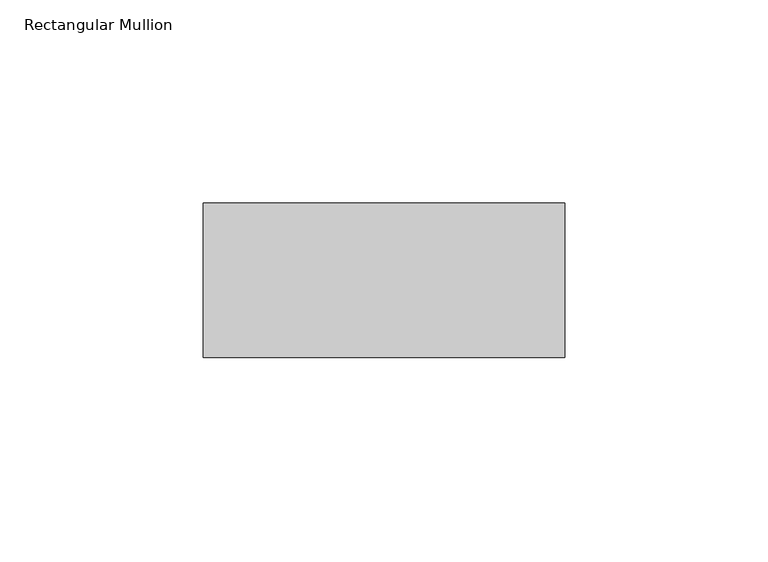
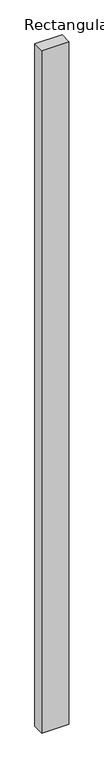
"""IFC4 building model written with IfcOpenShell, lengths in millimetres: member geometry, Rectangular Mullion."""

from ifc_helpers import new_model, si_unit, frame, origin, place, context, project, spatial, polyline, outline, extrude, source, transform, mapped, element, save


def rectangular_mullion_17bd54c2(model_context):
    return source(origin(), model_context, "Body", "SweptSolid", [
        extrude(outline(polyline([(0.0, 58.0), (0.0, 20.0), (-89.0, 20.0), (-89.0, 58.0), (0.0, 58.0)])), frame((0.0, 0.0, -2360.0), z_axis=(0.0, 0.0, 1.0), x_axis=(1.0, 0.0, 0.0)), (0.0, 0.0, 1.0), 2360.0),
    ])


if __name__ == "__main__":
    model = new_model("IFC4")
    model_context = context("Model", 3, world=origin())
    ifc_project = project(units=[si_unit("LENGTHUNIT", "METRE", prefix="MILLI")], contexts=[model_context])
    site = spatial("IfcSite", under=ifc_project)
    building = spatial("IfcBuilding", under=site)
    placement = place(None, origin())
    rectangular_mullion_shape = rectangular_mullion_17bd54c2(model_context)
    element("IfcMember", 1, ObjectType="Rectangular Mullion", at=placement, inside=building, context=model_context, shape_type="MappedRepresentation", body=[
        mapped(rectangular_mullion_shape, transform((0.0, 0.0, 0.0), x_axis=(1.0, 0.0, 0.0), y_axis=(0.0, 1.0, 0.0), z_axis=(0.0, 0.0, 1.0))),
    ])
    save(model, "model.ifc")
